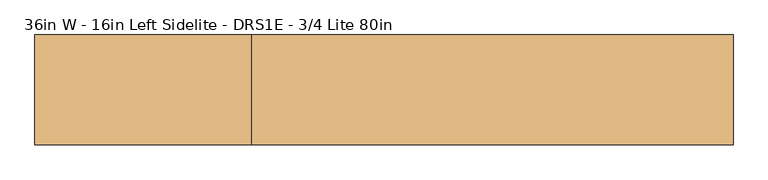
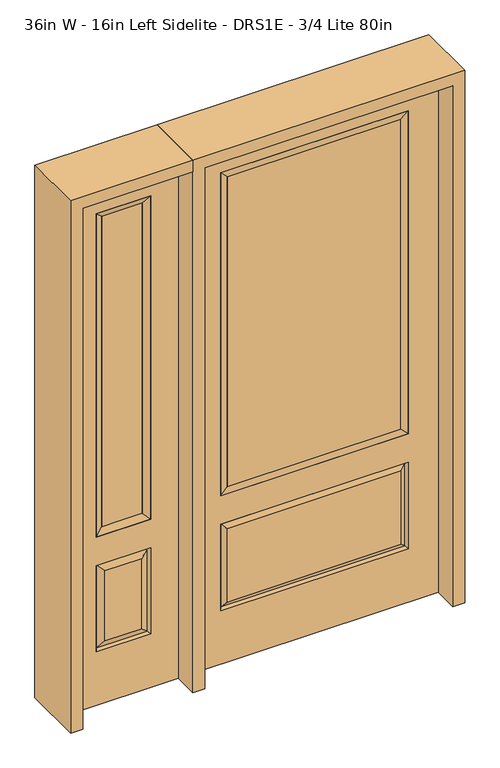
"""IFC4 building model written with IfcOpenShell, lengths in millimetres: door geometry, 36in W - 16in Left Sidelite - DRS1E - 3/4 Lite 80in."""

from ifc_helpers import new_model, si_unit, frame, origin, place, context, project, spatial, polyline, outline, extrude, faceted_brep, source, transform, mapped, element, save


def door_36in_w_16in_left_sidelite_drs1e_3_4_lite_80in_ee45755c(model_context):
    return source(origin(), model_context, "Body", "SolidModel", [
        faceted_brep([(-908.05, -22.225, 0.0), (-501.65, -22.225, 0.0), (-501.65, -22.225, 2032.0), (-908.05, -22.225, 2032.0), (-604.52, -22.225, 1919.224), (-604.52, -22.225, 657.098), (-805.18, -22.225, 657.098), (-805.18, -22.225, 1919.224), (-604.52, -22.225, 209.55), (-805.18, -22.225, 209.55), (-805.18, -22.225, 546.1), (-604.52, -22.225, 546.1), (-773.4648999, -22.225, 241.2651001), (-636.2351001, -22.225, 241.2651001), (-636.2351001, -22.225, 514.3848999), (-773.4648999, -22.225, 514.3848999), (-908.05, 22.225, 0.0), (-908.05, 22.225, 2032.0), (-501.65, 22.225, 2032.0), (-501.65, 22.225, 0.0), (-604.52, 22.225, 1919.224), (-805.18, 22.225, 1919.224), (-805.18, 22.225, 657.098), (-604.52, 22.225, 657.098), (-805.18, 22.225, 209.55), (-604.52, 22.225, 209.55), (-604.52, 22.225, 546.1), (-805.18, 22.225, 546.1), (-636.2351001, 22.225, 241.2651001), (-773.4648999, 22.225, 241.2651001), (-773.4648999, 22.225, 514.3848999), (-636.2351001, 22.225, 514.3848999), (-611.6288501, 12.7912373, 216.6588501), (-798.0711499, 12.7912373, 216.6588501), (-798.0711499, 12.7912373, 538.9911499), (-611.6288501, 12.7912373, 538.9911499), (-798.0711499, -12.7912373, 216.6588501), (-611.6288501, -12.7912373, 216.6588501), (-798.0711499, -12.7912373, 538.9911499), (-611.6288501, -12.7912373, 538.9911499)], [[[0, 1, 2, 3], [4, 5, 6, 7], [8, 9, 10, 11]], [[12, 13, 14, 15]], [[16, 17, 18, 19], [20, 21, 22, 23], [24, 25, 26, 27]], [[28, 29, 30, 31]], [[1, 0, 16, 19]], [[2, 1, 19, 18]], [[3, 2, 18, 17]], [[0, 3, 17, 16]], [[5, 4, 20, 23]], [[6, 5, 23, 22]], [[7, 6, 22, 21]], [[4, 7, 21, 20]], [[32, 33, 29, 28]], [[33, 32, 25, 24]], [[29, 33, 34, 30]], [[33, 24, 27, 34]], [[30, 34, 35, 31]], [[34, 27, 26, 35]], [[32, 28, 31, 35]], [[25, 32, 35, 26]], [[12, 36, 37, 13]], [[37, 36, 9, 8]], [[36, 12, 15, 38]], [[9, 36, 38, 10]], [[38, 15, 14, 39]], [[10, 38, 39, 11]], [[13, 37, 39, 14]], [[37, 8, 11, 39]]]),
        faceted_brep([(-805.18, 22.225, 1919.224), (-805.18, -22.225, 1919.224), (-604.52, -22.225, 1919.224), (-604.52, 22.225, 1919.224), (-779.78, 12.7, 1893.824), (-629.92, 12.7, 1893.824), (-779.78, -12.7, 1893.824), (-629.92, -12.7, 1893.824), (-604.52, -22.225, 657.098), (-604.52, 22.225, 657.098), (-629.92, 12.7, 682.498), (-629.92, -12.7, 682.498), (-805.18, -22.225, 657.098), (-805.18, 22.225, 657.098), (-779.78, 12.7, 682.498), (-779.78, -12.7, 682.498)], [[[0, 1, 2, 3]], [[4, 0, 3, 5]], [[6, 4, 5, 7]], [[1, 6, 7, 2]], [[3, 2, 8, 9]], [[5, 3, 9, 10]], [[7, 5, 10, 11]], [[2, 7, 11, 8]], [[9, 8, 12, 13]], [[10, 9, 13, 14]], [[11, 10, 14, 15]], [[8, 11, 15, 12]], [[13, 12, 1, 0]], [[14, 13, 0, 4]], [[15, 14, 4, 6]], [[12, 15, 6, 1]]]),
        extrude(outline(polyline([(-629.92, -12.7), (-779.78, -12.7), (-779.78, 12.7), (-629.92, 12.7), (-629.92, -12.7)])), frame((0.0, 0.0, 682.498), z_axis=(0.0, 0.0, 1.0), x_axis=(1.0, 0.0, 0.0)), (0.0, 0.0, 1.0), 1211.326),
        faceted_brep([(-338.9661499, -12.7912373, 216.6588501), (338.9661499, -12.7912373, 216.6588501), (321.46875, -22.225, 234.15625), (-321.46875, -22.225, 234.15625), (-346.075, -22.225, 209.55), (346.075, -22.225, 209.55), (-338.9661499, -12.7912373, 538.9911499), (-346.075, -22.225, 546.1), (321.46875, -22.225, 521.49375), (-321.46875, -22.225, 521.49375), (457.2, -22.225, 2032.0), (-457.2, -22.225, 2032.0), (-457.2, -22.225, 0.0), (457.2, -22.225, 0.0), (346.075, -22.225, 546.1), (346.075, -22.225, 1917.7), (346.075, -22.225, 657.098), (-346.075, -22.225, 657.098), (-346.075, -22.225, 1917.7), (338.9661499, -12.7912373, 538.9911499), (-457.2, 22.225, 2032.0), (-457.2, 22.225, 0.0), (457.2, 22.225, 0.0), (457.2, 22.225, 2032.0), (346.075, 22.225, 1917.7), (346.075, 22.225, 657.098), (-346.075, 22.225, 657.098), (-346.075, 22.225, 1917.7), (-346.075, 22.225, 209.55), (346.075, 22.225, 209.55), (346.075, 22.225, 546.1), (-346.075, 22.225, 546.1), (321.46875, 22.225, 234.15625), (-321.46875, 22.225, 234.15625), (-321.46875, 22.225, 521.49375), (321.46875, 22.225, 521.49375), (-338.9661499, 12.7912373, 216.6588501), (338.9661499, 12.7912373, 216.6588501), (338.9661499, 12.7912373, 538.9911499), (-338.9661499, 12.7912373, 538.9911499)], [[[0, 1, 2, 3]], [[1, 0, 4, 5]], [[4, 0, 6, 7]], [[3, 2, 8, 9]], [[10, 11, 12, 13], [5, 4, 7, 14], [15, 16, 17, 18]], [[1, 5, 14, 19]], [[2, 1, 19, 8]], [[0, 3, 9, 6]], [[7, 6, 19, 14]], [[6, 9, 8, 19]], [[12, 11, 20, 21]], [[13, 12, 21, 22]], [[10, 13, 22, 23]], [[16, 15, 24, 25]], [[17, 16, 25, 26]], [[18, 17, 26, 27]], [[23, 22, 21, 20], [28, 29, 30, 31], [24, 27, 26, 25]], [[32, 33, 34, 35]], [[28, 36, 37, 29]], [[29, 37, 38, 30]], [[39, 31, 30, 38]], [[36, 28, 31, 39]], [[37, 36, 33, 32]], [[33, 36, 39, 34]], [[34, 39, 38, 35]], [[37, 32, 35, 38]], [[11, 10, 23, 20]], [[15, 18, 27, 24]]]),
        faceted_brep([(-346.075, -22.225, 1917.7), (-346.075, 22.225, 1917.7), (-346.075, 22.225, 657.098), (-346.075, -22.225, 657.098), (346.075, 22.225, 657.098), (346.075, -22.225, 657.098), (-320.675, 5.08, 682.498), (320.675, 5.08, 682.498), (346.075, 22.225, 1917.7), (346.075, -22.225, 1917.7), (-320.675, -20.32, 682.498), (320.675, -20.32, 682.498), (-320.675, -20.32, 1892.3), (320.675, -20.32, 1892.3), (-320.675, 5.08, 1892.3), (320.675, 5.08, 1892.3)], [[[0, 1, 2, 3]], [[3, 2, 4, 5]], [[2, 6, 7, 4]], [[5, 4, 8, 9]], [[10, 3, 5, 11]], [[12, 0, 3, 10]], [[11, 5, 9, 13]], [[6, 10, 11, 7]], [[14, 12, 10, 6]], [[7, 11, 13, 15]], [[1, 14, 6, 2]], [[4, 7, 15, 8]], [[9, 8, 1, 0]], [[13, 9, 0, 12]], [[15, 13, 12, 14]], [[8, 15, 14, 1]]]),
        extrude(outline(polyline([(320.675, -20.32), (-320.675, -20.32), (-320.675, 5.08), (320.675, 5.08), (320.675, -20.32)])), frame((0.0, 0.0, 682.498), z_axis=(0.0, 0.0, 1.0), x_axis=(1.0, 0.0, 0.0)), (0.0, 0.0, 1.0), 1209.802),
        extrude(outline(polyline([(2032.0, -501.65), (2076.45, -501.65), (2076.45, -952.5), (0.0, -952.5), (0.0, -908.05), (2032.0, -908.05), (2032.0, -501.65)])), frame((0.0, -114.3, 0.0), z_axis=(0.0, 1.0, 0.0), x_axis=(0.0, 0.0, 1.0)), (0.0, 0.0, 1.0), 228.6),
        extrude(outline(polyline([(2076.45, -501.65), (0.0, -501.65), (0.0, -457.2), (2032.0, -457.2), (2032.0, 457.2), (0.0, 457.2), (0.0, 501.65), (2076.45, 501.65), (2076.45, -501.65)])), frame((0.0, -114.3, 0.0), z_axis=(0.0, 1.0, 0.0), x_axis=(0.0, 0.0, 1.0)), (0.0, 0.0, 1.0), 228.6),
    ])


if __name__ == "__main__":
    model = new_model("IFC4")
    model_context = context("Model", 3, world=origin())
    ifc_project = project(units=[si_unit("LENGTHUNIT", "METRE", prefix="MILLI")], contexts=[model_context])
    site = spatial("IfcSite", under=ifc_project)
    building = spatial("IfcBuilding", under=site)
    placement = place(None, origin())
    door_36in_w_16in_left_sidelite_drs1e_3_4_lite_80in_shape = door_36in_w_16in_left_sidelite_drs1e_3_4_lite_80in_ee45755c(model_context)
    element("IfcDoor", 1, ObjectType="36in W - 16in Left Sidelite - DRS1E - 3/4 Lite 80in", at=placement, inside=building, context=model_context, shape_type="MappedRepresentation", body=[
        mapped(door_36in_w_16in_left_sidelite_drs1e_3_4_lite_80in_shape, transform((0.0, 0.0, 0.0), x_axis=(1.0, 0.0, 0.0), y_axis=(0.0, 1.0, 0.0), z_axis=(0.0, 0.0, 1.0))),
    ])
    save(model, "model.ifc")
